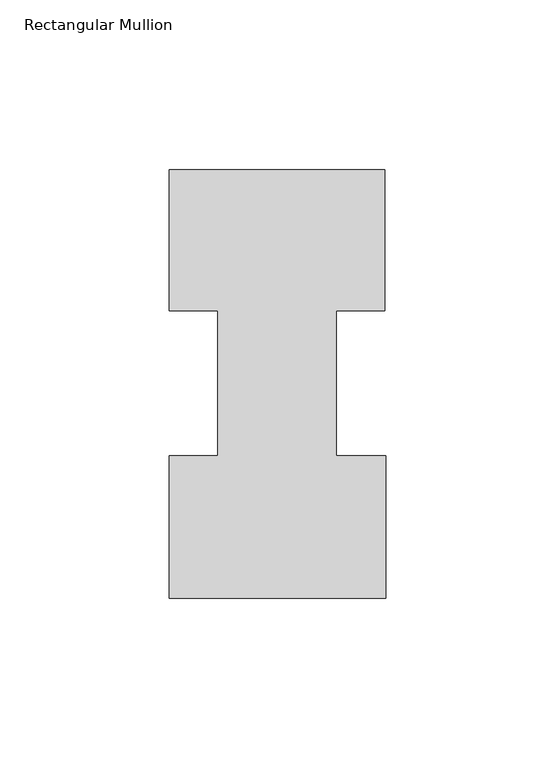
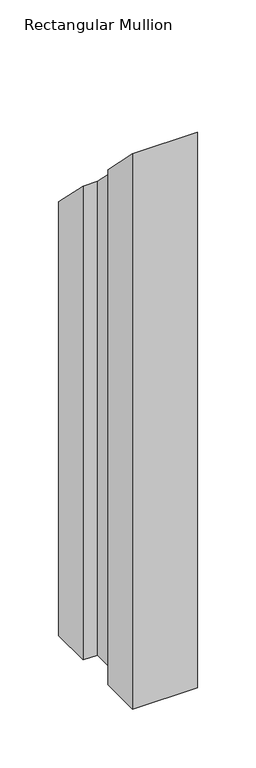
"""IFC4 building model written with IfcOpenShell, lengths in millimetres: member geometry, Rectangular Mullion."""

from ifc_helpers import new_model, si_unit, origin, place, context, project, spatial, faceted_brep, source, transform, mapped, element, save


def rectangular_mullion_9bf6ed4c(model_context):
    return source(origin(), model_context, "Body", "Brep", [
        faceted_brep([(-49.21504, 85.1296875, -577.85), (-63.5, 85.1296875, -577.85), (-63.5, 126.7349164, -577.85), (0.0, 126.7349164, -577.85), (0.0, 85.1296875, -577.85), (-14.2748, 85.1296875, -577.85), (-14.2748, 42.2799164, -577.85), (0.2408142, 42.2799164, -577.85), (0.2408142, 0.2429164, -577.85), (-63.5, 0.2429164, -577.85), (-63.5, 42.2799164, -577.85), (-49.21504, 42.2799164, -577.85), (-49.21504, 42.2799164, -42.2799164), (-49.21504, 85.1296875, -85.1296875), (-63.5, 42.2799164, -42.2799164), (-63.5, 0.2429164, -0.2429164), (0.2408142, 0.2429164, -0.2429164), (0.2408142, 42.2799164, -42.2799164), (-14.2748, 42.2799164, -42.2799164), (-14.2748, 85.1296875, -85.1296875), (0.0, 85.1296875, -85.1296875), (0.0, 126.7349164, -126.7349164), (-63.5, 126.7349164, -126.7349164), (-63.5, 85.1296875, -85.1296875)], [[[0, 1, 2, 3, 4, 5, 6, 7, 8, 9, 10, 11]], [[12, 13, 0, 11]], [[14, 12, 11, 10]], [[15, 14, 10, 9]], [[16, 15, 9, 8]], [[17, 16, 8, 7]], [[18, 17, 7, 6]], [[19, 18, 6, 5]], [[20, 19, 5, 4]], [[21, 20, 4, 3]], [[22, 21, 3, 2]], [[23, 22, 2, 1]], [[13, 23, 1, 0]], [[13, 12, 14, 15, 16, 17, 18, 19, 20, 21, 22, 23]]]),
    ])


if __name__ == "__main__":
    model = new_model("IFC4")
    model_context = context("Model", 3, world=origin())
    ifc_project = project(units=[si_unit("LENGTHUNIT", "METRE", prefix="MILLI")], contexts=[model_context])
    site = spatial("IfcSite", under=ifc_project)
    building = spatial("IfcBuilding", under=site)
    placement = place(None, origin())
    rectangular_mullion_shape = rectangular_mullion_9bf6ed4c(model_context)
    element("IfcMember", 1, ObjectType="Rectangular Mullion", at=placement, inside=building, context=model_context, shape_type="MappedRepresentation", body=[
        mapped(rectangular_mullion_shape, transform((0.0, 0.0, 0.0), x_axis=(1.0, 0.0, 0.0), y_axis=(0.0, 1.0, 0.0), z_axis=(0.0, 0.0, 1.0))),
    ])
    save(model, "model.ifc")
